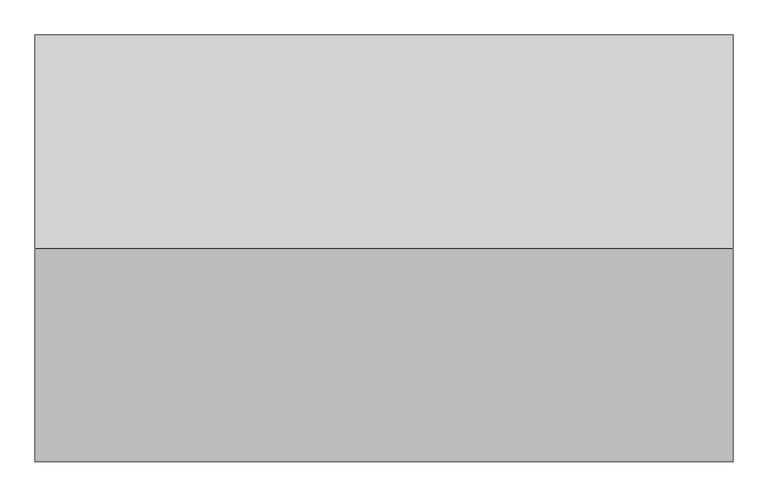
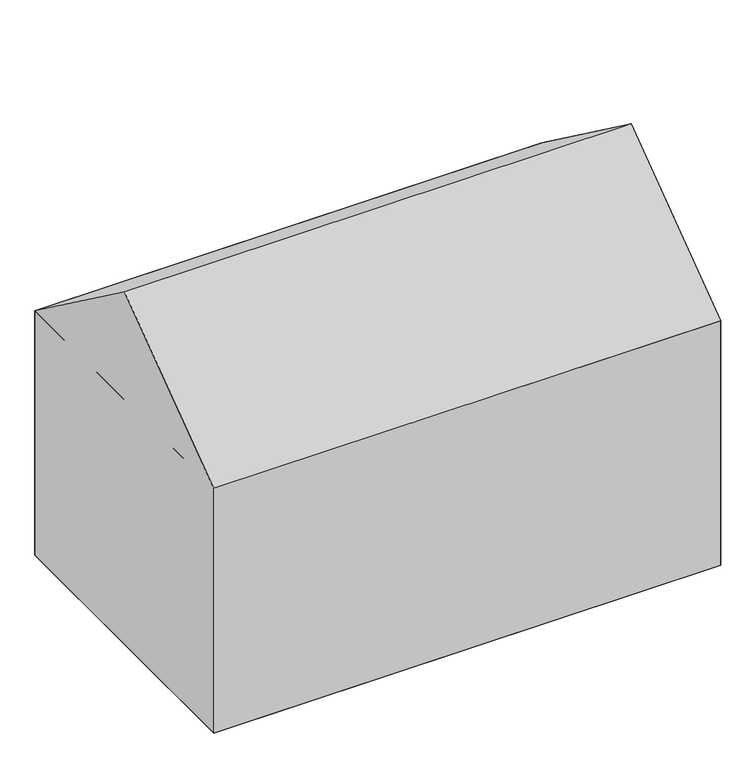
"""IFC4 building model written with IfcOpenShell, lengths in millimetres: geographic element geometry."""

from ifc_helpers import new_model, si_unit, origin, place, context, project, spatial, triangles, source, transform, mapped, element, save


def geographic_element_e1020fd8(model_context):
    return source(origin(), model_context, "Body", "Tessellation", [
        triangles([(221.3579457, 4551.1565048, 3525.0118721), (221.3579457, 327.6423194, 3525.0118721), (221.3579457, 2439.3993576, 5081.778186), (7131.3001785, 2439.3993576, 5081.778186), (7131.3001785, 4551.1565048, 3525.0118721), (7131.3001785, 327.6423194, 3525.0118721), (7131.3001785, 4551.1565048, 0.0), (221.3579457, 327.6423194, 0.0), (221.3579457, 4551.1565048, 0.0), (7131.3001785, 327.6423194, 0.0)], [[1, 2, 3], [4, 1, 3], [1, 4, 5], [5, 4, 6], [6, 3, 2], [3, 6, 4], [5, 2, 1], [2, 5, 6], [6, 1, 2], [1, 6, 5], [7, 8, 9], [8, 7, 10], [1, 8, 2], [8, 1, 9], [6, 8, 10], [8, 6, 2], [1, 7, 9], [7, 1, 5], [7, 6, 10], [6, 7, 5]], closed=False),
    ])


if __name__ == "__main__":
    model = new_model("IFC4")
    model_context = context("Model", 3, world=origin())
    ifc_project = project(units=[si_unit("LENGTHUNIT", "METRE", prefix="MILLI")], contexts=[model_context])
    site = spatial("IfcSite", under=ifc_project)
    building = spatial("IfcBuilding", under=site)
    placement = place(None, origin())
    geographic_element_shape = geographic_element_e1020fd8(model_context)
    element("IfcGeographicElement", 1, at=placement, inside=building, context=model_context, shape_type="MappedRepresentation", body=[
        mapped(geographic_element_shape, transform((0.0, 0.0, 0.0), x_axis=(1.0, 0.0, 0.0), y_axis=(0.0, 1.0, 0.0), z_axis=(0.0, 0.0, 1.0))),
    ])
    save(model, "model.ifc")
